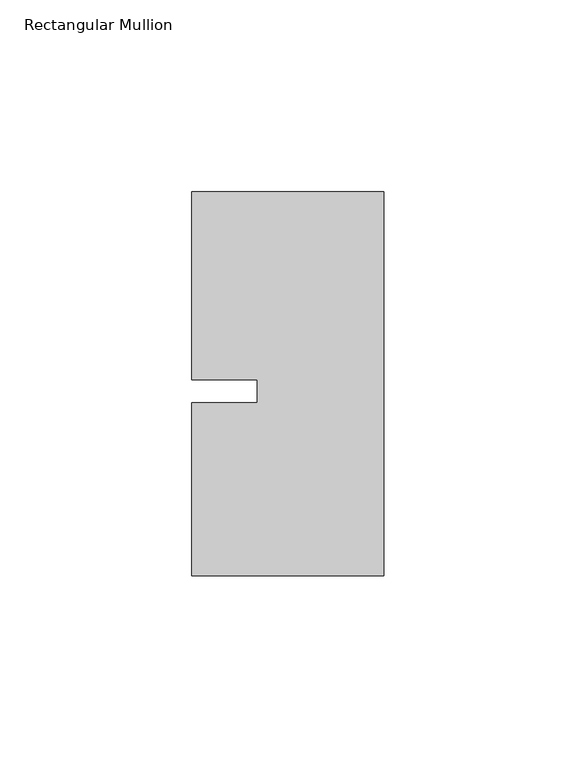
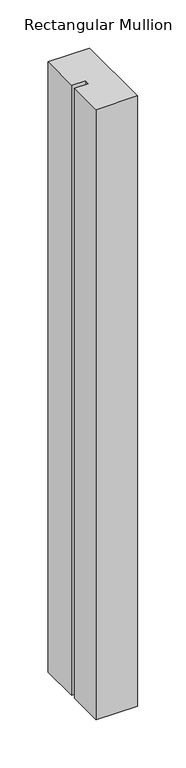
"""IFC4 building model written with IfcOpenShell, lengths in millimetres: member geometry, Rectangular Mullion."""

from ifc_helpers import new_model, si_unit, frame, origin, place, context, project, spatial, polyline, outline, extrude, source, transform, mapped, element, save


def rectangular_mullion_f0e58848(model_context):
    return source(origin(), model_context, "Body", "SweptSolid", [
        extrude(outline(polyline([(-33.0004407, -3.0000086), (-33.0004379, 3.0000086), (-49.9999762, 3.0000166), (-49.9999534, 51.9999993), (0.0, 51.9999711), (0.0, -48.000024), (-50.0, -48.0000007), (-49.999979, -3.0000007), (-33.0004407, -3.0000086)])), frame((0.0, 0.0, -773.4021855), z_axis=(0.0, 0.0, 1.0), x_axis=(1.0, 0.0, 0.0)), (0.0, 0.0, 1.0), 773.4021855),
    ])


if __name__ == "__main__":
    model = new_model("IFC4")
    model_context = context("Model", 3, world=origin())
    ifc_project = project(units=[si_unit("LENGTHUNIT", "METRE", prefix="MILLI")], contexts=[model_context])
    site = spatial("IfcSite", under=ifc_project)
    building = spatial("IfcBuilding", under=site)
    placement = place(None, origin())
    rectangular_mullion_shape = rectangular_mullion_f0e58848(model_context)
    element("IfcMember", 1, ObjectType="Rectangular Mullion", at=placement, inside=building, context=model_context, shape_type="MappedRepresentation", body=[
        mapped(rectangular_mullion_shape, transform((0.0, 0.0, 0.0), x_axis=(1.0, 0.0, 0.0), y_axis=(0.0, 1.0, 0.0), z_axis=(0.0, 0.0, 1.0))),
    ])
    save(model, "model.ifc")
